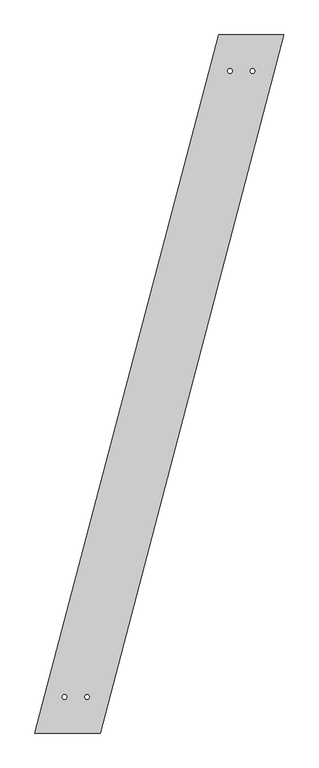
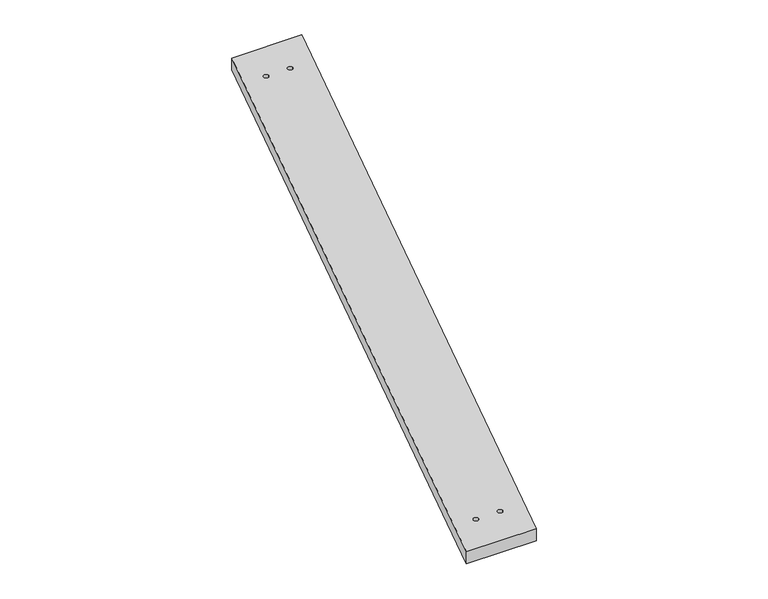
"""IFC4 building model written with IfcOpenShell, lengths in millimetres: proxy geometry."""

from ifc_helpers import new_model, si_unit, point, frame_2d, origin, origin_with_axes, place, context, project, spatial, polyline, circle_curve, trimmed, segment, composite_curve, outline, extrude, source, transform, mapped, element, save


def generic_models_7a3556f3(model_context):
    return source(origin(), model_context, "Body", "SweptSolid", [
        extrude(outline(polyline([(789.2660394, 2997.8424106), (1069.2660394, 2997.8424106), (280.0, 0.0), (0.0, 0.0), (789.2660394, 2997.8424106)]), holes=[composite_curve([segment(trimmed(circle_curve(frame_2d((837.6121628, 2842.8424106)), 10.0), [point((827.6121628, 2842.8424106))], [point((847.6121628, 2842.8424106))], True, "CARTESIAN"), True, "CONTINUOUS"), segment(trimmed(circle_curve(frame_2d((837.6121628, 2842.8424106)), 10.0), [point((847.6121628, 2842.8424106))], [point((827.6121628, 2842.8424106))], True, "CARTESIAN"), True, "CONTINUOUS")], self_intersect=False), composite_curve([segment(trimmed(circle_curve(frame_2d((934.3394355, 2842.8424106)), 10.0), [point((924.3394355, 2842.8424106))], [point((944.3394355, 2842.8424106))], True, "CARTESIAN"), True, "CONTINUOUS"), segment(trimmed(circle_curve(frame_2d((934.3394355, 2842.8424106)), 10.0), [point((944.3394355, 2842.8424106))], [point((924.3394355, 2842.8424106))], True, "CARTESIAN"), True, "CONTINUOUS")], self_intersect=False), composite_curve([segment(trimmed(circle_curve(frame_2d((127.2727273, 155.0)), 10.0), [point((117.2727273, 155.0))], [point((137.2727273, 155.0))], True, "CARTESIAN"), True, "CONTINUOUS"), segment(trimmed(circle_curve(frame_2d((127.2727273, 155.0)), 10.0), [point((137.2727273, 155.0))], [point((117.2727273, 155.0))], True, "CARTESIAN"), True, "CONTINUOUS")], self_intersect=False), composite_curve([segment(trimmed(circle_curve(frame_2d((224.0, 155.0)), 10.0), [point((214.0, 155.0))], [point((234.0, 155.0))], True, "CARTESIAN"), True, "CONTINUOUS"), segment(trimmed(circle_curve(frame_2d((224.0, 155.0)), 10.0), [point((234.0, 155.0))], [point((214.0, 155.0))], True, "CARTESIAN"), True, "CONTINUOUS")], self_intersect=False)]), origin_with_axes(), (0.0, 0.0, 1.0), 50.0),
    ])


if __name__ == "__main__":
    model = new_model("IFC4")
    model_context = context("Model", 3, world=origin())
    ifc_project = project(units=[si_unit("LENGTHUNIT", "METRE", prefix="MILLI")], contexts=[model_context])
    site = spatial("IfcSite", under=ifc_project)
    building = spatial("IfcBuilding", under=site)
    placement = place(None, origin())
    generic_models_shape = generic_models_7a3556f3(model_context)
    element("IfcBuildingElementProxy", 1, Name="Generic Models", at=placement, inside=building, context=model_context, shape_type="MappedRepresentation", body=[
        mapped(generic_models_shape, transform((0.0, 0.0, 0.0), x_axis=(1.0, 0.0, 0.0), y_axis=(0.0, 1.0, 0.0), z_axis=(0.0, 0.0, 1.0))),
    ])
    save(model, "model.ifc")
